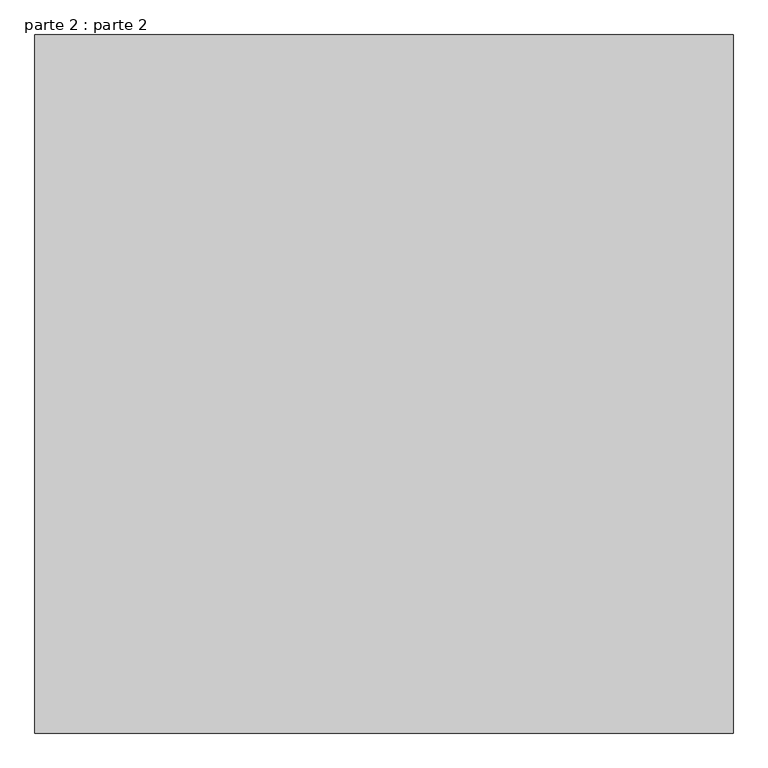
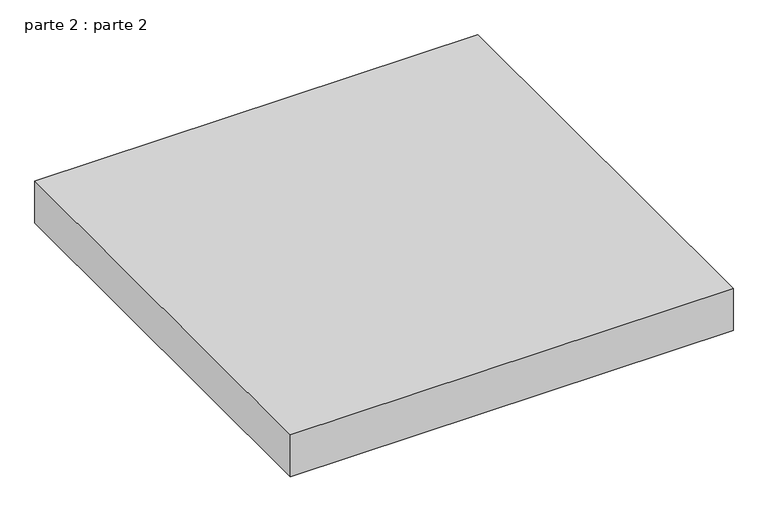
"""IFC4 building model written with IfcOpenShell, lengths in millimetres: proxy geometry, parte 2 : parte 2."""

from ifc_helpers import new_model, si_unit, frame, origin, place, context, project, spatial, polyline, outline, extrude, source, transform, mapped, element, save


def parte_2_parte_2_e3f61b0f(model_context):
    return source(origin(), model_context, "Body", "SweptSolid", [
        extrude(outline(polyline([(1000.0, 1000.0), (1000.0, 0.0), (0.0, 0.0), (0.0, 1000.0), (1000.0, 1000.0)])), frame((0.0, 0.0, 2100.0), z_axis=(0.0, 0.0, 1.0), x_axis=(1.0, 0.0, 0.0)), (0.0, 0.0, 1.0), 100.0),
        extrude(outline(polyline([(1000.0, 1000.0), (1000.0, 0.0), (0.0, 0.0), (0.0, 1000.0), (1000.0, 1000.0)])), frame((0.0, 0.0, 2100.0), z_axis=(0.0, 0.0, 1.0), x_axis=(1.0, 0.0, 0.0)), (0.0, 0.0, 1.0), 100.0),
    ])


if __name__ == "__main__":
    model = new_model("IFC4")
    model_context = context("Model", 3, world=origin())
    ifc_project = project(units=[si_unit("LENGTHUNIT", "METRE", prefix="MILLI")], contexts=[model_context])
    site = spatial("IfcSite", under=ifc_project)
    building = spatial("IfcBuilding", under=site)
    placement = place(None, origin())
    parte_2_parte_2_shape = parte_2_parte_2_e3f61b0f(model_context)
    element("IfcBuildingElementProxy", 1, Name="parte 2 : parte 2", ObjectType="parte 2 : parte 2", at=placement, inside=building, context=model_context, shape_type="MappedRepresentation", body=[
        mapped(parte_2_parte_2_shape, transform((0.0, 0.0, 0.0), x_axis=(1.0, 0.0, 0.0), y_axis=(0.0, 1.0, 0.0), z_axis=(0.0, 0.0, 1.0))),
    ])
    save(model, "model.ifc")
